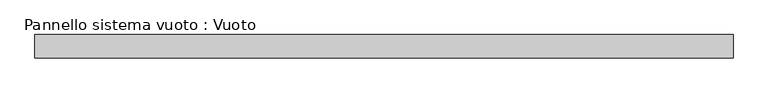
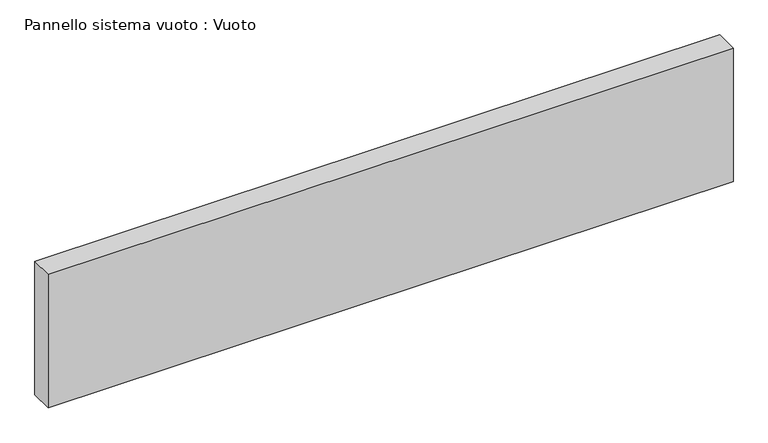
"""IFC4 building model written with IfcOpenShell, lengths in millimetres: plate geometry, Pannello sistema vuoto : Vuoto."""

from ifc_helpers import new_model, si_unit, origin, origin_with_axes, place, context, project, spatial, polyline, outline, extrude, source, transform, mapped, element, save


def pannello_sistema_vuoto_vuoto_584d6331(model_context):
    return source(origin(), model_context, "Body", "SweptSolid", [
        extrude(outline(polyline([(1500.0, -50.0), (-1500.0, -50.0), (-1500.0, 50.0), (1500.0, 50.0), (1500.0, -50.0)])), origin_with_axes(), (0.0, 0.0, 1.0), 618.6726296),
    ])


if __name__ == "__main__":
    model = new_model("IFC4")
    model_context = context("Model", 3, world=origin())
    ifc_project = project(units=[si_unit("LENGTHUNIT", "METRE", prefix="MILLI")], contexts=[model_context])
    site = spatial("IfcSite", under=ifc_project)
    building = spatial("IfcBuilding", under=site)
    placement = place(None, origin())
    pannello_sistema_vuoto_vuoto_shape = pannello_sistema_vuoto_vuoto_584d6331(model_context)
    element("IfcPlate", 1, ObjectType="Pannello sistema vuoto : Vuoto", at=placement, inside=building, context=model_context, shape_type="MappedRepresentation", body=[
        mapped(pannello_sistema_vuoto_vuoto_shape, transform((0.0, 0.0, 0.0), x_axis=(1.0, 0.0, 0.0), y_axis=(0.0, 1.0, 0.0), z_axis=(0.0, 0.0, 1.0))),
    ])
    save(model, "model.ifc")
